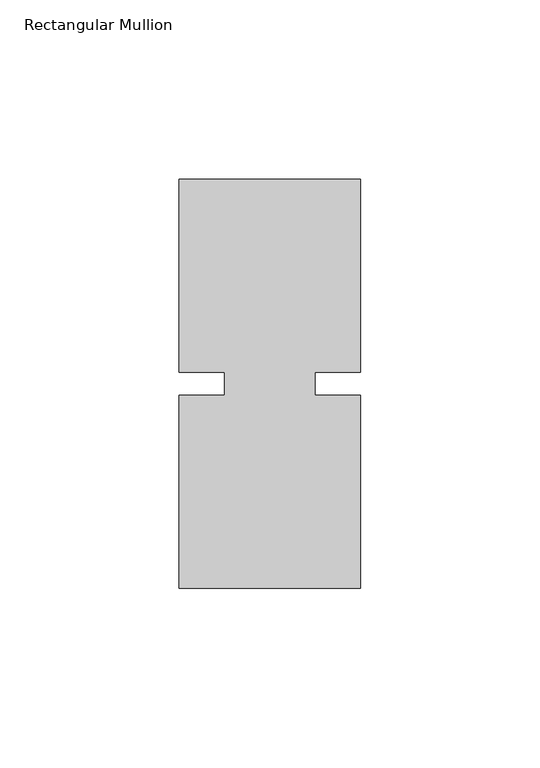
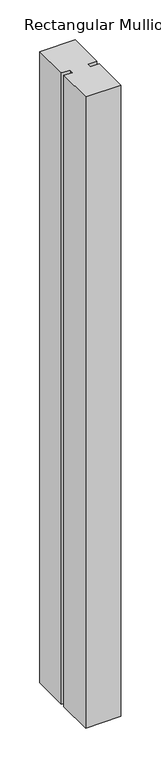
"""IFC4 building model written with IfcOpenShell, lengths in millimetres: member geometry, Rectangular Mullion."""

import ifcopenshell
import ifcopenshell.guid

model = None  # the IFC model being written
_history = None  # IfcOwnerHistory: only IFC2X3 demands one
_inside = {}  # id of a spatial element -> (the spatial element, [elements in it])
_under = {}  # id of a project, library or spatial element -> (it, [spatial elements below it])
_declared = {}  # id of a project -> (the project, [libraries it declares])
_typed = {}  # id of a type object -> (the type object, [elements of that type])
_made_of = {}  # id of a material, layer set ... -> (it, [elements and type objects made of it])


def new_model(schema):
    """Start an empty IFC model of exactly this schema.

    Asked for "IFC4X3", IfcOpenShell would pick the latest addendum, in which some entities
    have other attributes; the version numbers below select the first issue.
    IFC2X3 requires an IfcOwnerHistory on every rooted entity: one is made here for all.
    """
    global model, _history
    if schema == "IFC4X3":
        model = ifcopenshell.file(schema_version=(4, 3, 0, 0))
    else:
        model = ifcopenshell.file(schema=schema)
    _inside.clear()
    _under.clear()
    _declared.clear()
    _typed.clear()
    _made_of.clear()
    _history = None
    if model.schema == "IFC2X3":
        org = make("IfcOrganization", Name="unknown")
        user = make(
            "IfcPersonAndOrganization",
            ThePerson=make("IfcPerson", FamilyName="unknown"),
            TheOrganization=org,
        )
        app = make(
            "IfcApplication",
            ApplicationDeveloper=org,
            Version="unknown",
            ApplicationFullName="unknown",
            ApplicationIdentifier="unknown",
        )
        _history = make(
            "IfcOwnerHistory",
            OwningUser=user,
            OwningApplication=app,
            ChangeAction="ADDED",
            CreationDate=0,
        )
    return model


def make(cls, **values):
    """One entity of the class cls with the attributes given. An attribute that is None is left unset."""
    return model.create_entity(
        cls, **{name: value for name, value in values.items() if value is not None}
    )


def rooted(cls, **values):
    """An entity with a GlobalId (a new one), such as an element, a storey or a relation."""
    return make(cls, GlobalId=ifcopenshell.guid.new(), OwnerHistory=_history, **values)


def si_unit(unit_type, name, prefix=None):
    """IfcSIUnit, for example si_unit("LENGTHUNIT", "METRE", prefix="MILLI")."""
    return make("IfcSIUnit", UnitType=unit_type, Prefix=prefix, Name=name)


def assignment(units):
    """IfcUnitAssignment: the units of a project."""
    return None if units is None else make("IfcUnitAssignment", Units=units)


def point(xyz):
    """IfcCartesianPoint."""
    return None if xyz is None else make("IfcCartesianPoint", Coordinates=xyz)


def direction(xyz):
    """IfcDirection."""
    return None if xyz is None else make("IfcDirection", DirectionRatios=xyz)


def frame(location, z_axis=None, x_axis=None):
    """IfcAxis2Placement3D, a coordinate frame: its origin and axes. An axis left out is left unset."""
    return make(
        "IfcAxis2Placement3D",
        Location=point(location),
        Axis=direction(z_axis),
        RefDirection=direction(x_axis),
    )


def origin():
    """The frame at (0, 0, 0) with its axes left unset."""
    return frame((0.0, 0.0, 0.0))


def place(relative_to, where):
    """IfcLocalPlacement: puts the frame where relative to a parent placement (None: the world)."""
    return make(
        "IfcLocalPlacement", PlacementRelTo=relative_to, RelativePlacement=where
    )


def context(
    kind, dimensions, precision=None, world=None, true_north=None, identifier=None
):
    """IfcGeometricRepresentationContext, for example the 3D "Model" context."""
    return make(
        "IfcGeometricRepresentationContext",
        ContextIdentifier=identifier,
        ContextType=kind,
        CoordinateSpaceDimension=dimensions,
        Precision=precision,
        WorldCoordinateSystem=world,
        TrueNorth=true_north,
    )


def project(units=None, contexts=None):
    """IfcProject with its units and contexts."""
    return rooted(
        "IfcProject",
        Name="project",
        RepresentationContexts=contexts,
        UnitsInContext=assignment(units),
    )


def spatial(cls, under=None, at=None, **own):
    """A site, building, storey or space (cls), placed at a placement, below another one or the project."""
    s = rooted(cls, ObjectPlacement=at, **own)
    if under is not None:
        _under.setdefault(under.id(), (under, []))[1].append(s)
    return s


def polyline(points):
    """IfcPolyline through the points."""
    return make("IfcPolyline", Points=[point(p) for p in points])


def outline(outer, holes=None, kind="AREA"):
    """IfcArbitraryClosedProfileDef: a profile drawn as a closed curve; with holes, ...WithVoids."""
    if holes is None:
        return make("IfcArbitraryClosedProfileDef", ProfileType=kind, OuterCurve=outer)
    return make(
        "IfcArbitraryProfileDefWithVoids",
        ProfileType=kind,
        OuterCurve=outer,
        InnerCurves=holes,
    )


def extrude(swept, where, along, depth):
    """IfcExtrudedAreaSolid: the profile swept, set in the frame where, extruded along a direction by depth."""
    return make(
        "IfcExtrudedAreaSolid",
        SweptArea=swept,
        Position=where,
        ExtrudedDirection=direction(along),
        Depth=depth,
    )


def shape(context_of_items, identifier, shape_type, items):
    """IfcShapeRepresentation: the items that make up one representation, for example the "Body"."""
    return make(
        "IfcShapeRepresentation",
        ContextOfItems=context_of_items,
        RepresentationIdentifier=identifier,
        RepresentationType=shape_type,
        Items=items,
    )


def source(mapping_origin, context_of_items, identifier, shape_type, items):
    """IfcRepresentationMap: a shape defined once, which mapped items show again and again."""
    return make(
        "IfcRepresentationMap",
        MappingOrigin=mapping_origin,
        MappedRepresentation=shape(context_of_items, identifier, shape_type, items),
    )


def transform(
    local_origin,
    x_axis=None,
    y_axis=None,
    z_axis=None,
    scale=None,
    scale2=None,
    scale3=None,
    uniform=True,
):
    """IfcCartesianTransformationOperator3D, or its non-uniform kind. x_axis, y_axis, z_axis: its Axis1, 2, 3."""
    if uniform:
        return make(
            "IfcCartesianTransformationOperator3D",
            Axis1=direction(x_axis),
            Axis2=direction(y_axis),
            LocalOrigin=point(local_origin),
            Scale=scale,
            Axis3=direction(z_axis),
        )
    return make(
        "IfcCartesianTransformationOperator3DnonUniform",
        Axis1=direction(x_axis),
        Axis2=direction(y_axis),
        LocalOrigin=point(local_origin),
        Scale=scale,
        Axis3=direction(z_axis),
        Scale2=scale2,
        Scale3=scale3,
    )


def mapped(mapping_source, mapping_target):
    """IfcMappedItem: shows the shape of a source again, moved by a transform."""
    return make(
        "IfcMappedItem", MappingSource=mapping_source, MappingTarget=mapping_target
    )


def made_of(thing, what):
    """Note that an element or type object is made of a material, layer set ...; save() writes the relation."""
    if what is not None:
        _made_of.setdefault(what.id(), (what, []))[1].append(thing)
    return thing


def element(
    cls,
    number,
    at=None,
    inside=None,
    cuts=None,
    type_object=None,
    material=None,
    context=None,
    identifier="Body",
    shape_type=None,
    held_by="IfcProductDefinitionShape",
    body=None,
    shapes=None,
    **own,
):
    """One element of the class cls, such as IfcWall. Its Tag is "e" and its number.

    at: its placement. inside: the storey or other place that contains it. cuts: it is an
    opening in that element (IfcRelVoidsElement). A single representation is given by context,
    identifier, shape_type and body (its items); several are given by shapes. held_by: the class
    of the entity that holds the representations. save() writes the other relations.
    """
    e = rooted(cls, Tag="e%d" % number, ObjectPlacement=at, **own)
    if body is not None:
        shapes = [shape(context, identifier, shape_type, body)]
    if shapes is not None:
        e.Representation = make(held_by, Representations=shapes)
    if inside is not None:
        _inside.setdefault(inside.id(), (inside, []))[1].append(e)
    if cuts is not None:
        rooted(
            "IfcRelVoidsElement", RelatingBuildingElement=cuts, RelatedOpeningElement=e
        )
    if type_object is not None:
        _typed.setdefault(type_object.id(), (type_object, []))[1].append(e)
    return made_of(e, material)


def aggregate(whole, parts):
    """IfcRelAggregates: a whole, such as a stair, and the parts it consists of."""
    return rooted("IfcRelAggregates", RelatingObject=whole, RelatedObjects=parts)


def save(model, path):
    """Write the relations noted so far, then the file.

    IfcRelAggregates (storeys below a building ...), IfcRelContainedInSpatialStructure (elements
    in a storey), IfcRelDefinesByType, IfcRelAssociatesMaterial and IfcRelDeclares: one each for
    every whole, place, type object, material and project.
    """
    for whole, parts in _under.values():
        aggregate(whole, parts)
    for where, things in _inside.values():
        rooted(
            "IfcRelContainedInSpatialStructure",
            RelatedElements=things,
            RelatingStructure=where,
        )
    for kind, things in _typed.values():
        rooted("IfcRelDefinesByType", RelatedObjects=things, RelatingType=kind)
    for what, things in _made_of.values():
        rooted("IfcRelAssociatesMaterial", RelatedObjects=things, RelatingMaterial=what)
    for by, libraries in _declared.values():
        rooted("IfcRelDeclares", RelatingContext=by, RelatedDefinitions=libraries)
    model.write(path)


def rectangular_mullion_82cdbf36(model_context):
    return source(origin(), model_context, "Body", "SweptSolid", [
        extrude(outline(polyline([(29.7344027, 57.15), (29.7344027, 3.175), (17.0326322, 3.175), (17.0326322, -3.175), (29.7344027, -3.175), (29.7344027, -57.15), (-21.0655973, -57.15), (-21.0655973, -3.175), (-8.3655973, -3.175), (-8.3655973, 3.175), (-21.0655973, 3.175), (-21.0655973, 57.15), (29.7344027, 57.15)])), frame((0.0, 0.0, -965.2), z_axis=(0.0, 0.0, 1.0), x_axis=(1.0, 0.0, 0.0)), (0.0, 0.0, 1.0), 965.2),
    ])


if __name__ == "__main__":
    model = new_model("IFC4")
    model_context = context("Model", 3, world=origin())
    ifc_project = project(units=[si_unit("LENGTHUNIT", "METRE", prefix="MILLI")], contexts=[model_context])
    site = spatial("IfcSite", under=ifc_project)
    building = spatial("IfcBuilding", under=site)
    placement = place(None, origin())
    rectangular_mullion_shape = rectangular_mullion_82cdbf36(model_context)
    element("IfcMember", 1, ObjectType="Rectangular Mullion", at=placement, inside=building, context=model_context, shape_type="MappedRepresentation", body=[
        mapped(rectangular_mullion_shape, transform((0.0, 0.0, 0.0), x_axis=(1.0, 0.0, 0.0), y_axis=(0.0, 1.0, 0.0), z_axis=(0.0, 0.0, 1.0))),
    ])
    save(model, "model.ifc")
